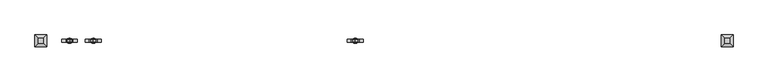
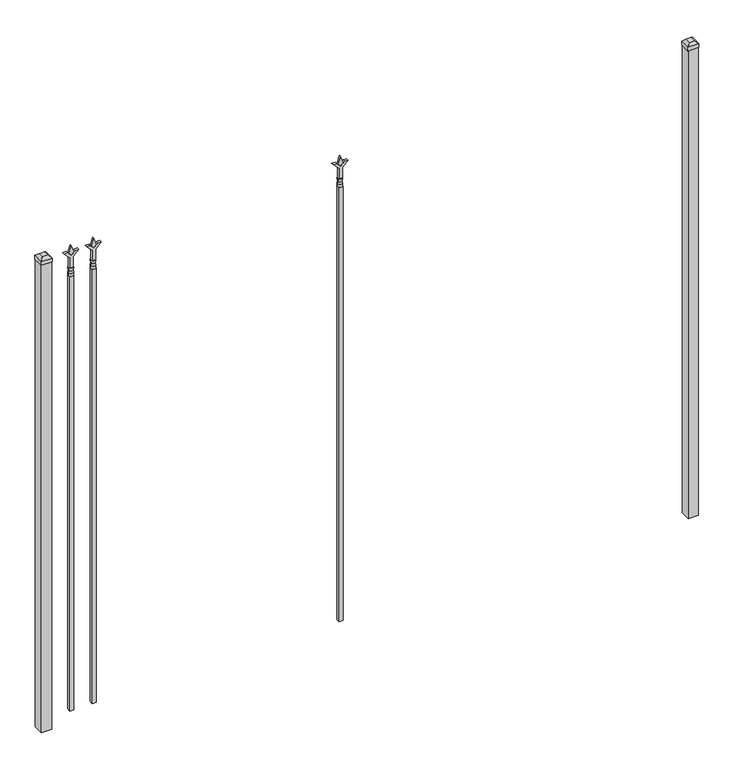
"""IFC4 building model written with IfcOpenShell, lengths in millimetres: railing geometry."""

from ifc_helpers import new_model, si_unit, frame, origin, origin_with_axes, place, context, project, spatial, polyline, circle_curve, outline, extrude, faceted_brep, source, transform, mapped, element, save
from ifc_brep_helpers import plane_surface, cylinder_surface, revolved_surface, advanced_brep


def railing_6c665352(model_context):
    return source(origin(), model_context, "Body", "SolidModel", [
        extrude(outline(polyline([(2402.68125, -54996.3764203), (2438.4, -55008.2826703), (2402.68125, -55020.1889203), (2390.775, -55008.2826703), (2402.68125, -54996.3764203)])), frame((0.0, -640.0195174, 0.0), z_axis=(0.0, 1.0, 0.0), x_axis=(0.0, 0.0, 1.0)), (0.0, 0.0, 1.0), 9.525),
        extrude(outline(polyline([(2327.275, -54999.5514203), (2381.5457378, -54999.5514203), (2408.7355122, -54972.3616458), (2408.7355122, -54990.3221581), (2390.775, -55008.2826703), (2408.7355122, -55026.2431825), (2408.7355122, -55044.2036948), (2381.5457378, -55017.0139203), (2327.275, -55017.0139203), (2327.275, -54999.5514203)])), frame((0.0, -641.6070174, 0.0), z_axis=(0.0, 1.0, 0.0), x_axis=(0.0, 0.0, 1.0)), (0.0, 0.0, 1.0), 12.7),
        advanced_brep(
        [(-54996.3764203, -635.2570174, 2298.7), (-55020.1889203, -635.2570174, 2298.7), (-55020.1889203, -635.2570174, 2286.0), (-54996.3764203, -635.2570174, 2286.0), (-54998.5817522, -635.2570174, 2311.2070585), (-55017.9835884, -635.2570174, 2311.2070585), (-54996.3764203, -635.2570174, 2327.275), (-55020.1889203, -635.2570174, 2327.275), (-55008.2826703, -635.2570174, 2327.275), (-55008.2826703, -635.2570174, 2286.0)],
        [
            (0, 1, circle_curve(frame((-55008.2826703, -635.2570174, 2298.7), z_axis=(0.0, 0.0, -1.0), x_axis=(-1.0, 0.0, 0.0)), 11.90625)),
            (1, 2),
            (2, 3, circle_curve(frame((-55008.2826703, -635.2570174, 2286.0), z_axis=(0.0, 0.0, 1.0), x_axis=(-1.0, 0.0, 0.0)), 11.90625)),
            (3, 0),
            (1, 0, circle_curve(frame((-55008.2826703, -635.2570174, 2298.7), z_axis=(0.0, 0.0, -1.0), x_axis=(-1.0, 0.0, 0.0)), 11.90625)),
            (3, 2, circle_curve(frame((-55008.2826703, -635.2570174, 2286.0), z_axis=(0.0, 0.0, 1.0), x_axis=(-1.0, 0.0, 0.0)), 11.90625)),
            (4, 5, circle_curve(frame((-55008.2826703, -635.2570174, 2311.2070585), z_axis=(0.0, 0.0, -1.0), x_axis=(-1.0, 0.0, 0.0)), 9.7009181)),
            (5, 1),
            (0, 4),
            (5, 4, circle_curve(frame((-55008.2826703, -635.2570174, 2311.2070585), z_axis=(0.0, 0.0, -1.0), x_axis=(-1.0, 0.0, 0.0)), 9.7009181)),
            (6, 7, circle_curve(frame((-55008.2826703, -635.2570174, 2327.275), z_axis=(0.0, 0.0, -1.0), x_axis=(-1.0, 0.0, 0.0)), 11.90625)),
            (7, 5),
            (4, 6),
            (7, 6, circle_curve(frame((-55008.2826703, -635.2570174, 2327.275), z_axis=(0.0, 0.0, -1.0), x_axis=(-1.0, 0.0, 0.0)), 11.90625)),
            (8, 7),
            (6, 8),
            (2, 9),
            (9, 3),
        ],
        [
            cylinder_surface(frame((-55008.2826703, -635.2570174, 2286.0), z_axis=(0.0, 0.0, 1.0), x_axis=(-1.0, 0.0, 0.0)), 11.90625),
            revolved_surface(polyline([(-55020.1889203, -635.2570174, 2298.7), (-55017.9835884, -635.2570174, 2311.2070585)]), (-55008.2826703, -635.2570174, 2286.0), (0.0, 0.0, 1.0)),
            revolved_surface(polyline([(-55017.9835884, -635.2570174, 2311.2070585), (-55020.1889203, -635.2570174, 2327.275)]), (-55008.2826703, -635.2570174, 2286.0), (0.0, 0.0, 1.0)),
            plane_surface(frame((-55008.2826703, -635.2570174, 2327.275), z_axis=(0.0, 0.0, 1.0), x_axis=(-1.0, 0.0, 0.0))),
            plane_surface(frame((-55008.2826703, -635.2570174, 2286.0), z_axis=(0.0, 0.0, -1.0), x_axis=(-1.0, 0.0, 0.0))),
        ],
        [
            (0, [[1, 2, 3, 4]]),
            (0, [[5, -4, 6, -2]]),
            (1, [[7, 8, -1, 9]]),
            (1, [[10, -9, -5, -8]]),
            (2, [[11, 12, -7, 13]]),
            (2, [[14, -13, -10, -12]]),
            (3, [[15, -11, 16]]),
            (3, [[-16, -14, -15]]),
            (4, [[-3, 17, 18]]),
            (4, [[-6, -18, -17]]),
        ],
    ),
        extrude(outline(polyline([(-55017.8076703, -625.7320174), (-54998.7576703, -625.7320174), (-54998.7576703, -644.7820174), (-55017.8076703, -644.7820174), (-55017.8076703, -625.7320174)])), frame((0.0, 0.0, 50.8), z_axis=(0.0, 0.0, 1.0), x_axis=(1.0, 0.0, 0.0)), (0.0, 0.0, 1.0), 2235.2),
        extrude(outline(polyline([(2402.68125, -53794.374337), (2438.4, -53806.280587), (2402.68125, -53818.186837), (2390.775, -53806.280587), (2402.68125, -53794.374337)])), frame((0.0, -640.0195174, 0.0), z_axis=(0.0, 1.0, 0.0), x_axis=(0.0, 0.0, 1.0)), (0.0, 0.0, 1.0), 9.525),
        extrude(outline(polyline([(2327.275, -53797.549337), (2381.5457378, -53797.549337), (2408.7355122, -53770.3595625), (2408.7355122, -53788.3200747), (2390.775, -53806.280587), (2408.7355122, -53824.2410992), (2408.7355122, -53842.2016114), (2381.5457378, -53815.011837), (2327.275, -53815.011837), (2327.275, -53797.549337)])), frame((0.0, -641.6070174, 0.0), z_axis=(0.0, 1.0, 0.0), x_axis=(0.0, 0.0, 1.0)), (0.0, 0.0, 1.0), 12.7),
        advanced_brep(
        [(-53794.374337, -635.2570174, 2298.7), (-53818.186837, -635.2570174, 2298.7), (-53818.186837, -635.2570174, 2286.0), (-53794.374337, -635.2570174, 2286.0), (-53796.5796688, -635.2570174, 2311.2070585), (-53815.9815051, -635.2570174, 2311.2070585), (-53794.374337, -635.2570174, 2327.275), (-53818.186837, -635.2570174, 2327.275), (-53806.280587, -635.2570174, 2327.275), (-53806.280587, -635.2570174, 2286.0)],
        [
            (0, 1, circle_curve(frame((-53806.280587, -635.2570174, 2298.7), z_axis=(0.0, 0.0, -1.0), x_axis=(-1.0, 0.0, 0.0)), 11.90625)),
            (1, 2),
            (2, 3, circle_curve(frame((-53806.280587, -635.2570174, 2286.0), z_axis=(0.0, 0.0, 1.0), x_axis=(-1.0, 0.0, 0.0)), 11.90625)),
            (3, 0),
            (1, 0, circle_curve(frame((-53806.280587, -635.2570174, 2298.7), z_axis=(0.0, 0.0, -1.0), x_axis=(-1.0, 0.0, 0.0)), 11.90625)),
            (3, 2, circle_curve(frame((-53806.280587, -635.2570174, 2286.0), z_axis=(0.0, 0.0, 1.0), x_axis=(-1.0, 0.0, 0.0)), 11.90625)),
            (4, 5, circle_curve(frame((-53806.280587, -635.2570174, 2311.2070585), z_axis=(0.0, 0.0, -1.0), x_axis=(-1.0, 0.0, 0.0)), 9.7009181)),
            (5, 1),
            (0, 4),
            (5, 4, circle_curve(frame((-53806.280587, -635.2570174, 2311.2070585), z_axis=(0.0, 0.0, -1.0), x_axis=(-1.0, 0.0, 0.0)), 9.7009181)),
            (6, 7, circle_curve(frame((-53806.280587, -635.2570174, 2327.275), z_axis=(0.0, 0.0, -1.0), x_axis=(-1.0, 0.0, 0.0)), 11.90625)),
            (7, 5),
            (4, 6),
            (7, 6, circle_curve(frame((-53806.280587, -635.2570174, 2327.275), z_axis=(0.0, 0.0, -1.0), x_axis=(-1.0, 0.0, 0.0)), 11.90625)),
            (8, 7),
            (6, 8),
            (2, 9),
            (9, 3),
        ],
        [
            cylinder_surface(frame((-53806.280587, -635.2570174, 2286.0), z_axis=(0.0, 0.0, 1.0), x_axis=(-1.0, 0.0, 0.0)), 11.90625),
            revolved_surface(polyline([(-53818.186837, -635.2570174, 2298.7), (-53815.9815051, -635.2570174, 2311.2070585)]), (-53806.280587, -635.2570174, 2286.0), (0.0, 0.0, 1.0)),
            revolved_surface(polyline([(-53815.9815051, -635.2570174, 2311.2070585), (-53818.186837, -635.2570174, 2327.275)]), (-53806.280587, -635.2570174, 2286.0), (0.0, 0.0, 1.0)),
            plane_surface(frame((-53806.280587, -635.2570174, 2327.275), z_axis=(0.0, 0.0, 1.0), x_axis=(-1.0, 0.0, 0.0))),
            plane_surface(frame((-53806.280587, -635.2570174, 2286.0), z_axis=(0.0, 0.0, -1.0), x_axis=(-1.0, 0.0, 0.0))),
        ],
        [
            (0, [[1, 2, 3, 4]]),
            (0, [[5, -4, 6, -2]]),
            (1, [[7, 8, -1, 9]]),
            (1, [[10, -9, -5, -8]]),
            (2, [[11, 12, -7, 13]]),
            (2, [[14, -13, -10, -12]]),
            (3, [[15, -11, 16]]),
            (3, [[-16, -14, -15]]),
            (4, [[-3, 17, 18]]),
            (4, [[-6, -18, -17]]),
        ],
    ),
        extrude(outline(polyline([(-53815.805587, -625.7320174), (-53796.755587, -625.7320174), (-53796.755587, -644.7820174), (-53815.805587, -644.7820174), (-53815.805587, -625.7320174)])), frame((0.0, 0.0, 50.8), z_axis=(0.0, 0.0, 1.0), x_axis=(1.0, 0.0, 0.0)), (0.0, 0.0, 1.0), 2235.2),
        extrude(outline(polyline([(2402.68125, -55105.649337), (2438.4, -55117.555587), (2402.68125, -55129.461837), (2390.775, -55117.555587), (2402.68125, -55105.649337)])), frame((0.0, -640.0195174, 0.0), z_axis=(0.0, 1.0, 0.0), x_axis=(0.0, 0.0, 1.0)), (0.0, 0.0, 1.0), 9.525),
        extrude(outline(polyline([(2327.275, -55108.824337), (2381.5457378, -55108.824337), (2408.7355122, -55081.6345625), (2408.7355122, -55099.5950747), (2390.775, -55117.555587), (2408.7355122, -55135.5160992), (2408.7355122, -55153.4766114), (2381.5457378, -55126.286837), (2327.275, -55126.286837), (2327.275, -55108.824337)])), frame((0.0, -641.6070174, 0.0), z_axis=(0.0, 1.0, 0.0), x_axis=(0.0, 0.0, 1.0)), (0.0, 0.0, 1.0), 12.7),
        advanced_brep(
        [(-55105.649337, -635.2570174, 2298.7), (-55129.461837, -635.2570174, 2298.7), (-55129.461837, -635.2570174, 2286.0), (-55105.649337, -635.2570174, 2286.0), (-55107.8546688, -635.2570174, 2311.2070585), (-55127.2565051, -635.2570174, 2311.2070585), (-55105.649337, -635.2570174, 2327.275), (-55129.461837, -635.2570174, 2327.275), (-55117.555587, -635.2570174, 2327.275), (-55117.555587, -635.2570174, 2286.0)],
        [
            (0, 1, circle_curve(frame((-55117.555587, -635.2570174, 2298.7), z_axis=(0.0, 0.0, -1.0), x_axis=(-1.0, 0.0, 0.0)), 11.90625)),
            (1, 2),
            (2, 3, circle_curve(frame((-55117.555587, -635.2570174, 2286.0), z_axis=(0.0, 0.0, 1.0), x_axis=(-1.0, 0.0, 0.0)), 11.90625)),
            (3, 0),
            (1, 0, circle_curve(frame((-55117.555587, -635.2570174, 2298.7), z_axis=(0.0, 0.0, -1.0), x_axis=(-1.0, 0.0, 0.0)), 11.90625)),
            (3, 2, circle_curve(frame((-55117.555587, -635.2570174, 2286.0), z_axis=(0.0, 0.0, 1.0), x_axis=(-1.0, 0.0, 0.0)), 11.90625)),
            (4, 5, circle_curve(frame((-55117.555587, -635.2570174, 2311.2070585), z_axis=(0.0, 0.0, -1.0), x_axis=(-1.0, 0.0, 0.0)), 9.7009181)),
            (5, 1),
            (0, 4),
            (5, 4, circle_curve(frame((-55117.555587, -635.2570174, 2311.2070585), z_axis=(0.0, 0.0, -1.0), x_axis=(-1.0, 0.0, 0.0)), 9.7009181)),
            (6, 7, circle_curve(frame((-55117.555587, -635.2570174, 2327.275), z_axis=(0.0, 0.0, -1.0), x_axis=(-1.0, 0.0, 0.0)), 11.90625)),
            (7, 5),
            (4, 6),
            (7, 6, circle_curve(frame((-55117.555587, -635.2570174, 2327.275), z_axis=(0.0, 0.0, -1.0), x_axis=(-1.0, 0.0, 0.0)), 11.90625)),
            (8, 7),
            (6, 8),
            (2, 9),
            (9, 3),
        ],
        [
            cylinder_surface(frame((-55117.555587, -635.2570174, 2286.0), z_axis=(0.0, 0.0, 1.0), x_axis=(-1.0, 0.0, 0.0)), 11.90625),
            revolved_surface(polyline([(-55129.461837, -635.2570174, 2298.7), (-55127.2565051, -635.2570174, 2311.2070585)]), (-55117.555587, -635.2570174, 2286.0), (0.0, 0.0, 1.0)),
            revolved_surface(polyline([(-55127.2565051, -635.2570174, 2311.2070585), (-55129.461837, -635.2570174, 2327.275)]), (-55117.555587, -635.2570174, 2286.0), (0.0, 0.0, 1.0)),
            plane_surface(frame((-55117.555587, -635.2570174, 2327.275), z_axis=(0.0, 0.0, 1.0), x_axis=(-1.0, 0.0, 0.0))),
            plane_surface(frame((-55117.555587, -635.2570174, 2286.0), z_axis=(0.0, 0.0, -1.0), x_axis=(-1.0, 0.0, 0.0))),
        ],
        [
            (0, [[1, 2, 3, 4]]),
            (0, [[5, -4, 6, -2]]),
            (1, [[7, 8, -1, 9]]),
            (1, [[10, -9, -5, -8]]),
            (2, [[11, 12, -7, 13]]),
            (2, [[14, -13, -10, -12]]),
            (3, [[15, -11, 16]]),
            (3, [[-16, -14, -15]]),
            (4, [[-3, 17, 18]]),
            (4, [[-6, -18, -17]]),
        ],
    ),
        extrude(outline(polyline([(-55127.080587, -625.7320174), (-55108.030587, -625.7320174), (-55108.030587, -644.7820174), (-55127.080587, -644.7820174), (-55127.080587, -625.7320174)])), frame((0.0, 0.0, 50.8), z_axis=(0.0, 0.0, 1.0), x_axis=(1.0, 0.0, 0.0)), (0.0, 0.0, 1.0), 2235.2),
        extrude(outline(polyline([(-52074.318087, -609.8570174), (-52074.318087, -660.6570174), (-52125.118087, -660.6570174), (-52125.118087, -609.8570174), (-52074.318087, -609.8570174)])), origin_with_axes(), (0.0, 0.0, 1.0), 2406.65),
        faceted_brep([(-52126.705587, -608.2695174, 2425.7), (-52126.705587, -608.2695174, 2406.65), (-52126.705587, -662.2445174, 2406.65), (-52126.705587, -662.2445174, 2425.7), (-52114.005587, -620.9695174, 2438.4), (-52114.005587, -649.5445174, 2438.4), (-52072.730587, -662.2445174, 2406.65), (-52072.730587, -662.2445174, 2425.7), (-52085.430587, -649.5445174, 2438.4), (-52072.730587, -608.2695174, 2406.65), (-52072.730587, -608.2695174, 2425.7), (-52085.430587, -620.9695174, 2438.4)], [[[0, 1, 2, 3]], [[4, 0, 3, 5]], [[3, 2, 6, 7]], [[5, 3, 7, 8]], [[7, 6, 9, 10]], [[8, 7, 10, 11]], [[10, 9, 1, 0]], [[11, 10, 0, 4]], [[5, 8, 11, 4]], [[1, 9, 6, 2]]]),
        extrude(outline(polyline([(-55223.918087, -609.8570174), (-55223.918087, -660.6570174), (-55274.718087, -660.6570174), (-55274.718087, -609.8570174), (-55223.918087, -609.8570174)])), origin_with_axes(), (0.0, 0.0, 1.0), 2406.65),
        faceted_brep([(-55276.305587, -608.2695174, 2425.7), (-55276.305587, -608.2695174, 2406.65), (-55276.305587, -662.2445174, 2406.65), (-55276.305587, -662.2445174, 2425.7), (-55263.605587, -620.9695174, 2438.4), (-55263.605587, -649.5445174, 2438.4), (-55222.330587, -662.2445174, 2406.65), (-55222.330587, -662.2445174, 2425.7), (-55235.030587, -649.5445174, 2438.4), (-55222.330587, -608.2695174, 2406.65), (-55222.330587, -608.2695174, 2425.7), (-55235.030587, -620.9695174, 2438.4)], [[[0, 1, 2, 3]], [[4, 0, 3, 5]], [[3, 2, 6, 7]], [[5, 3, 7, 8]], [[7, 6, 9, 10]], [[8, 7, 10, 11]], [[10, 9, 1, 0]], [[11, 10, 0, 4]], [[5, 8, 11, 4]], [[1, 9, 6, 2]]]),
    ])


if __name__ == "__main__":
    model = new_model("IFC4")
    model_context = context("Model", 3, world=origin())
    ifc_project = project(units=[si_unit("LENGTHUNIT", "METRE", prefix="MILLI")], contexts=[model_context])
    site = spatial("IfcSite", under=ifc_project)
    building = spatial("IfcBuilding", under=site)
    placement = place(None, origin())
    railing_shape = railing_6c665352(model_context)
    element("IfcRailing", 1, at=placement, inside=building, context=model_context, shape_type="MappedRepresentation", body=[
        mapped(railing_shape, transform((0.0, 0.0, 0.0), x_axis=(1.0, 0.0, 0.0), y_axis=(0.0, 1.0, 0.0), z_axis=(0.0, 0.0, 1.0))),
    ])
    save(model, "model.ifc")
